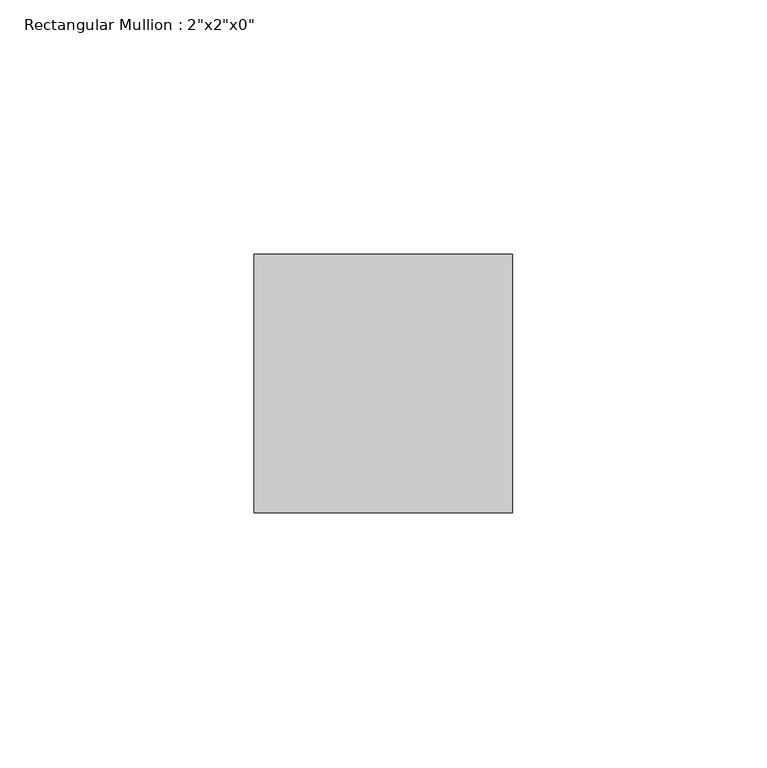
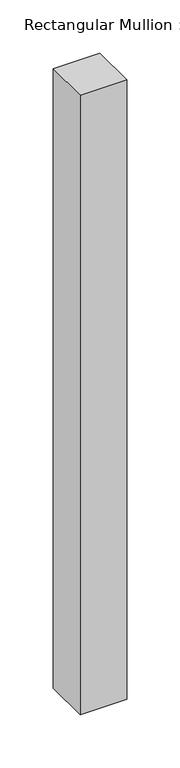
"""IFC4 building model written with IfcOpenShell, lengths in millimetres: member geometry."""

from ifc_helpers import new_model, si_unit, frame, origin, place, context, project, spatial, polyline, outline, extrude, source, transform, mapped, element, save


def member_889e4f47(model_context):
    return source(origin(), model_context, "Body", "SweptSolid", [
        extrude(outline(polyline([(25.4, 25.4), (25.4, -25.4), (-25.4, -25.4), (-25.4, 25.4), (25.4, 25.4)])), frame((0.0, 0.0, -712.37502), z_axis=(0.0, 0.0, 1.0), x_axis=(1.0, 0.0, 0.0)), (0.0, 0.0, 1.0), 712.37502),
    ])


if __name__ == "__main__":
    model = new_model("IFC4")
    model_context = context("Model", 3, world=origin())
    ifc_project = project(units=[si_unit("LENGTHUNIT", "METRE", prefix="MILLI")], contexts=[model_context])
    site = spatial("IfcSite", under=ifc_project)
    building = spatial("IfcBuilding", under=site)
    placement = place(None, origin())
    member_shape = member_889e4f47(model_context)
    element("IfcMember", 1, ObjectType="Rectangular Mullion : 2\"x2\"x0\"", at=placement, inside=building, context=model_context, shape_type="MappedRepresentation", body=[
        mapped(member_shape, transform((0.0, 0.0, 0.0), x_axis=(1.0, 0.0, 0.0), y_axis=(0.0, 1.0, 0.0), z_axis=(0.0, 0.0, 1.0))),
    ])
    save(model, "model.ifc")
